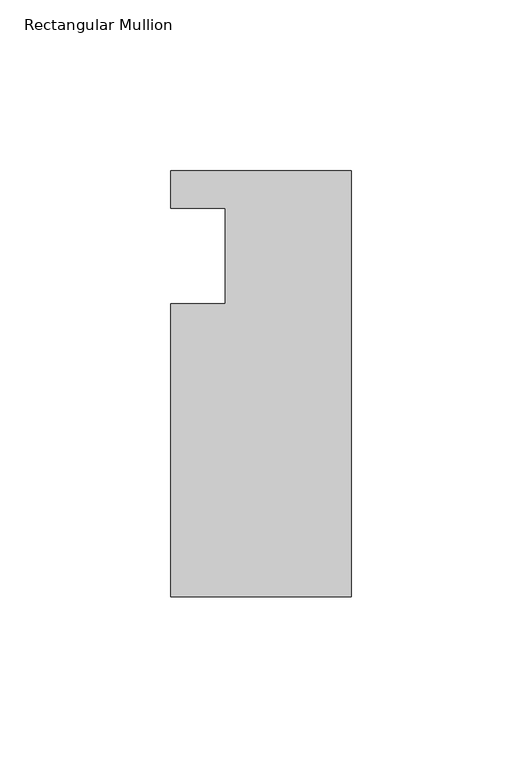
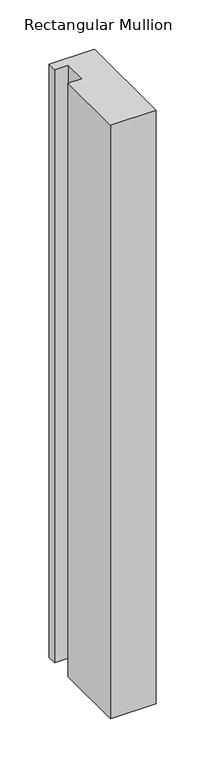
"""IFC4 building model written with IfcOpenShell, lengths in millimetres: member geometry, Rectangular Mullion."""

from ifc_helpers import new_model, si_unit, frame, origin, place, context, project, spatial, polyline, outline, extrude, source, transform, mapped, element, save


def rectangular_mullion_01ca9904(model_context):
    return source(origin(), model_context, "Body", "SweptSolid", [
        extrude(outline(polyline([(0.0, 25.0), (0.0, -100.0), (-53.0, -100.0), (-53.0, -13.9998907), (-37.0, -13.9998907), (-37.0, 14.0), (-53.0, 14.0), (-53.0, 25.0), (0.0, 25.0)])), frame((0.0, 0.0, -734.958673), z_axis=(0.0, 0.0, 1.0), x_axis=(1.0, 0.0, 0.0)), (0.0, 0.0, 1.0), 734.958673),
    ])


if __name__ == "__main__":
    model = new_model("IFC4")
    model_context = context("Model", 3, world=origin())
    ifc_project = project(units=[si_unit("LENGTHUNIT", "METRE", prefix="MILLI")], contexts=[model_context])
    site = spatial("IfcSite", under=ifc_project)
    building = spatial("IfcBuilding", under=site)
    placement = place(None, origin())
    rectangular_mullion_shape = rectangular_mullion_01ca9904(model_context)
    element("IfcMember", 1, ObjectType="Rectangular Mullion", at=placement, inside=building, context=model_context, shape_type="MappedRepresentation", body=[
        mapped(rectangular_mullion_shape, transform((0.0, 0.0, 0.0), x_axis=(1.0, 0.0, 0.0), y_axis=(0.0, 1.0, 0.0), z_axis=(0.0, 0.0, 1.0))),
    ])
    save(model, "model.ifc")
